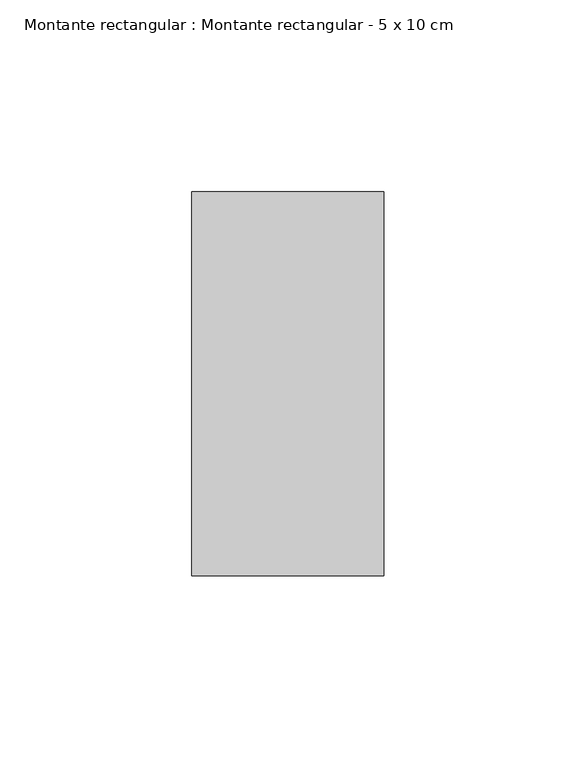
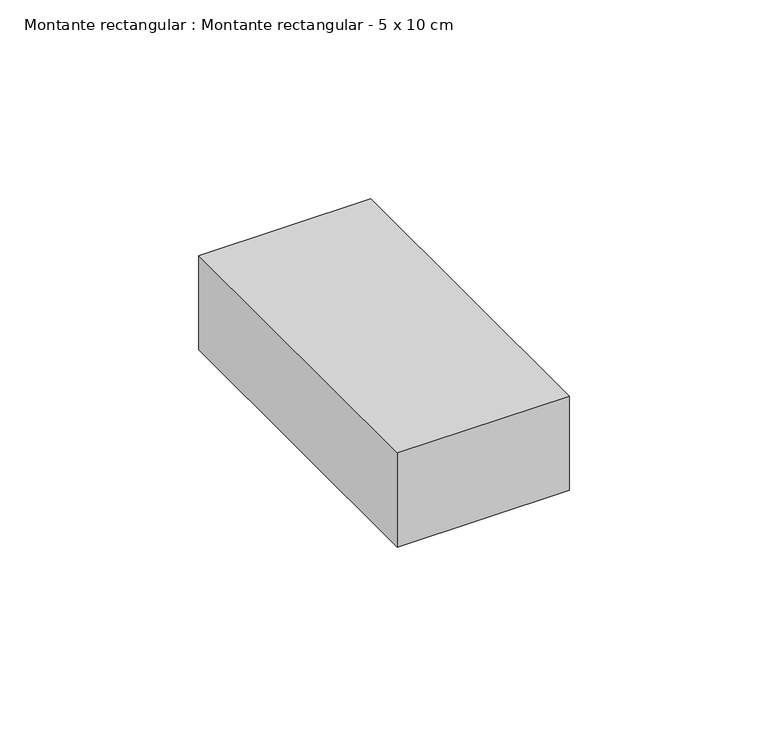
"""IFC4 building model written with IfcOpenShell, lengths in millimetres: member geometry, Montante rectangular : Montante rectangular - 5 x 10 cm."""

from ifc_helpers import new_model, si_unit, frame, origin, place, context, project, spatial, polyline, outline, extrude, source, transform, mapped, element, save


def montante_rectangular_montante_rectangular_5_x_10_cm_8944eec5(model_context):
    return source(origin(), model_context, "Body", "SweptSolid", [
        extrude(outline(polyline([(-50.0, 50.0), (0.0, 50.0), (0.0, -50.0), (-50.0, -50.0), (-50.0, 50.0)])), frame((0.0, 0.0, -28.9168221), z_axis=(0.0, 0.0, 1.0), x_axis=(1.0, 0.0, 0.0)), (0.0, 0.0, 1.0), 28.9168221),
    ])


if __name__ == "__main__":
    model = new_model("IFC4")
    model_context = context("Model", 3, world=origin())
    ifc_project = project(units=[si_unit("LENGTHUNIT", "METRE", prefix="MILLI")], contexts=[model_context])
    site = spatial("IfcSite", under=ifc_project)
    building = spatial("IfcBuilding", under=site)
    placement = place(None, origin())
    montante_rectangular_montante_rectangular_5_x_10_cm_shape = montante_rectangular_montante_rectangular_5_x_10_cm_8944eec5(model_context)
    element("IfcMember", 1, ObjectType="Montante rectangular : Montante rectangular - 5 x 10 cm", at=placement, inside=building, context=model_context, shape_type="MappedRepresentation", body=[
        mapped(montante_rectangular_montante_rectangular_5_x_10_cm_shape, transform((0.0, 0.0, 0.0), x_axis=(1.0, 0.0, 0.0), y_axis=(0.0, 1.0, 0.0), z_axis=(0.0, 0.0, 1.0))),
    ])
    save(model, "model.ifc")
